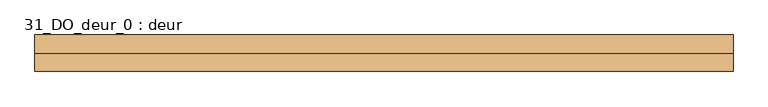
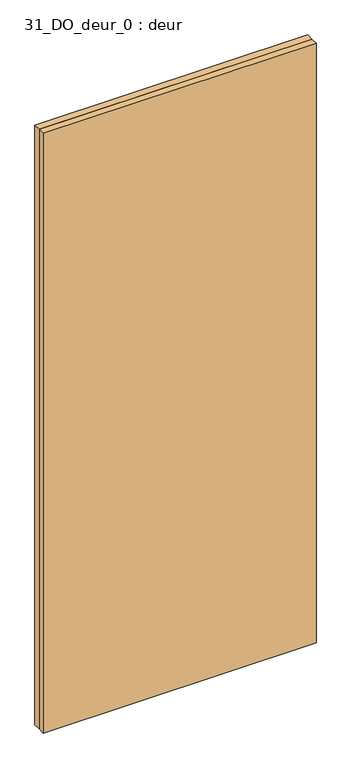
"""IFC4 building model written with IfcOpenShell, lengths in millimetres: door geometry, 31_DO_deur_0 : deur."""

from ifc_helpers import new_model, si_unit, origin, origin_with_axes, place, context, project, spatial, polyline, outline, extrude, source, transform, mapped, element, save


def door_31_do_deur_0_deur_18bb13f2(model_context):
    return source(origin(), model_context, "Body", "SweptSolid", [
        extrude(outline(polyline([(516.5, 57.0), (-516.5, 57.0), (-516.5, 84.0), (516.5, 84.0), (516.5, 57.0)])), origin_with_axes(), (0.0, 0.0, 1.0), 2399.5),
        extrude(outline(polyline([(516.5, 30.0), (-516.5, 30.0), (-516.5, 57.0), (516.5, 57.0), (516.5, 30.0)])), origin_with_axes(), (0.0, 0.0, 1.0), 2399.5),
    ])


if __name__ == "__main__":
    model = new_model("IFC4")
    model_context = context("Model", 3, world=origin())
    ifc_project = project(units=[si_unit("LENGTHUNIT", "METRE", prefix="MILLI")], contexts=[model_context])
    site = spatial("IfcSite", under=ifc_project)
    building = spatial("IfcBuilding", under=site)
    placement = place(None, origin())
    door_31_do_deur_0_deur_shape = door_31_do_deur_0_deur_18bb13f2(model_context)
    element("IfcDoor", 1, ObjectType="31_DO_deur_0 : deur", at=placement, inside=building, context=model_context, shape_type="MappedRepresentation", body=[
        mapped(door_31_do_deur_0_deur_shape, transform((0.0, 0.0, 0.0), x_axis=(1.0, 0.0, 0.0), y_axis=(0.0, 1.0, 0.0), z_axis=(0.0, 0.0, 1.0))),
    ])
    save(model, "model.ifc")
